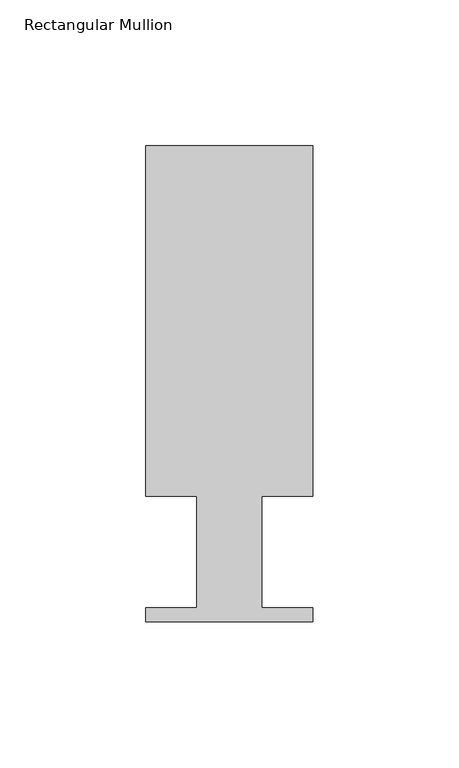
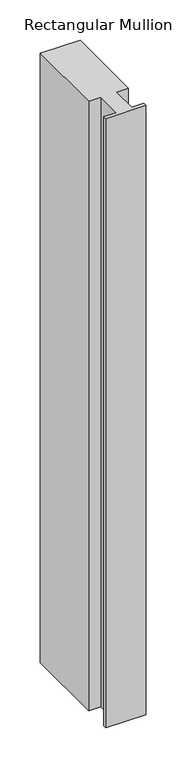
"""IFC4 building model written with IfcOpenShell, lengths in millimetres: member geometry, Rectangular Mullion."""

from ifc_helpers import new_model, si_unit, frame, origin, place, context, project, spatial, polyline, outline, extrude, source, transform, mapped, element, save


def rectangular_mullion_a4c8476d(model_context):
    return source(origin(), model_context, "Body", "SweptSolid", [
        extrude(outline(polyline([(0.0, 151.892), (0.0, 31.75), (-17.4752, 31.75), (-17.4752, -6.35), (0.0, -6.35), (0.0, -11.176), (-57.15, -11.176), (-57.15, -6.35), (-39.6875, -6.35), (-39.6875, 31.75), (-57.15, 31.75), (-57.15, 151.892), (0.0, 151.892)])), frame((0.0, 0.0, -924.56), z_axis=(0.0, 0.0, 1.0), x_axis=(1.0, 0.0, 0.0)), (0.0, 0.0, 1.0), 924.56),
    ])


if __name__ == "__main__":
    model = new_model("IFC4")
    model_context = context("Model", 3, world=origin())
    ifc_project = project(units=[si_unit("LENGTHUNIT", "METRE", prefix="MILLI")], contexts=[model_context])
    site = spatial("IfcSite", under=ifc_project)
    building = spatial("IfcBuilding", under=site)
    placement = place(None, origin())
    rectangular_mullion_shape = rectangular_mullion_a4c8476d(model_context)
    element("IfcMember", 1, ObjectType="Rectangular Mullion", at=placement, inside=building, context=model_context, shape_type="MappedRepresentation", body=[
        mapped(rectangular_mullion_shape, transform((0.0, 0.0, 0.0), x_axis=(1.0, 0.0, 0.0), y_axis=(0.0, 1.0, 0.0), z_axis=(0.0, 0.0, 1.0))),
    ])
    save(model, "model.ifc")
